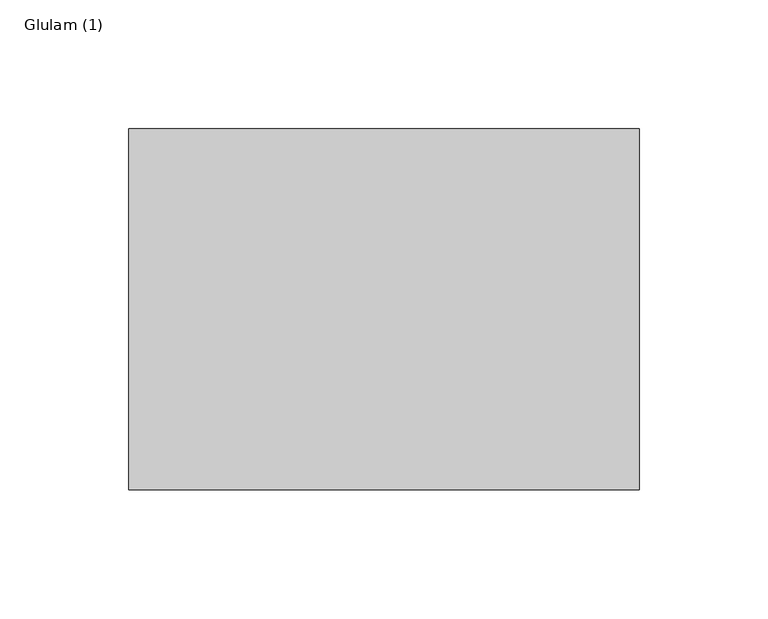
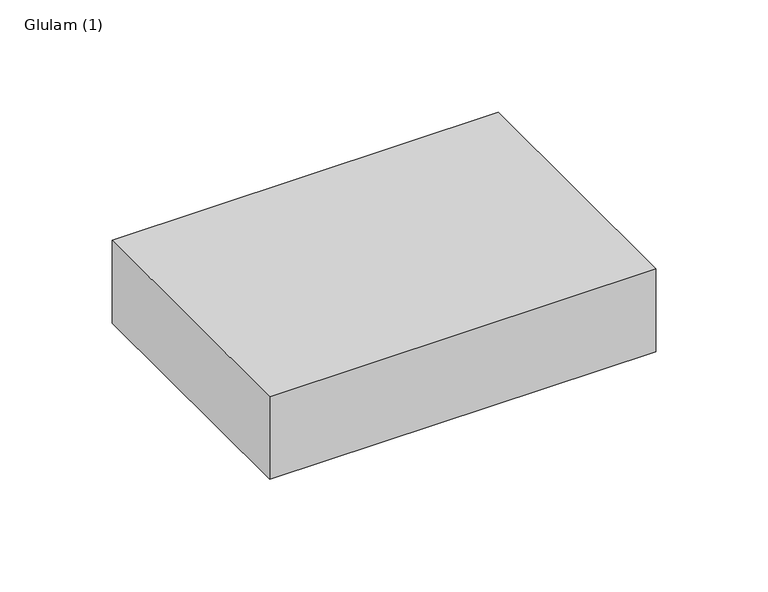
"""IFC4 building model written with IfcOpenShell, lengths in millimetres: beam geometry, Glulam (1)."""

import ifcopenshell
import ifcopenshell.guid

model = None  # the IFC model being written
_history = None  # IfcOwnerHistory: only IFC2X3 demands one
_inside = {}  # id of a spatial element -> (the spatial element, [elements in it])
_under = {}  # id of a project, library or spatial element -> (it, [spatial elements below it])
_declared = {}  # id of a project -> (the project, [libraries it declares])
_typed = {}  # id of a type object -> (the type object, [elements of that type])
_made_of = {}  # id of a material, layer set ... -> (it, [elements and type objects made of it])


def new_model(schema):
    """Start an empty IFC model of exactly this schema.

    Asked for "IFC4X3", IfcOpenShell would pick the latest addendum, in which some entities
    have other attributes; the version numbers below select the first issue.
    IFC2X3 requires an IfcOwnerHistory on every rooted entity: one is made here for all.
    """
    global model, _history
    if schema == "IFC4X3":
        model = ifcopenshell.file(schema_version=(4, 3, 0, 0))
    else:
        model = ifcopenshell.file(schema=schema)
    _inside.clear()
    _under.clear()
    _declared.clear()
    _typed.clear()
    _made_of.clear()
    _history = None
    if model.schema == "IFC2X3":
        org = make("IfcOrganization", Name="unknown")
        user = make(
            "IfcPersonAndOrganization",
            ThePerson=make("IfcPerson", FamilyName="unknown"),
            TheOrganization=org,
        )
        app = make(
            "IfcApplication",
            ApplicationDeveloper=org,
            Version="unknown",
            ApplicationFullName="unknown",
            ApplicationIdentifier="unknown",
        )
        _history = make(
            "IfcOwnerHistory",
            OwningUser=user,
            OwningApplication=app,
            ChangeAction="ADDED",
            CreationDate=0,
        )
    return model


def make(cls, **values):
    """One entity of the class cls with the attributes given. An attribute that is None is left unset."""
    return model.create_entity(
        cls, **{name: value for name, value in values.items() if value is not None}
    )


def rooted(cls, **values):
    """An entity with a GlobalId (a new one), such as an element, a storey or a relation."""
    return make(cls, GlobalId=ifcopenshell.guid.new(), OwnerHistory=_history, **values)


def si_unit(unit_type, name, prefix=None):
    """IfcSIUnit, for example si_unit("LENGTHUNIT", "METRE", prefix="MILLI")."""
    return make("IfcSIUnit", UnitType=unit_type, Prefix=prefix, Name=name)


def assignment(units):
    """IfcUnitAssignment: the units of a project."""
    return None if units is None else make("IfcUnitAssignment", Units=units)


def point(xyz):
    """IfcCartesianPoint."""
    return None if xyz is None else make("IfcCartesianPoint", Coordinates=xyz)


def direction(xyz):
    """IfcDirection."""
    return None if xyz is None else make("IfcDirection", DirectionRatios=xyz)


def frame(location, z_axis=None, x_axis=None):
    """IfcAxis2Placement3D, a coordinate frame: its origin and axes. An axis left out is left unset."""
    return make(
        "IfcAxis2Placement3D",
        Location=point(location),
        Axis=direction(z_axis),
        RefDirection=direction(x_axis),
    )


def origin():
    """The frame at (0, 0, 0) with its axes left unset."""
    return frame((0.0, 0.0, 0.0))


def place(relative_to, where):
    """IfcLocalPlacement: puts the frame where relative to a parent placement (None: the world)."""
    return make(
        "IfcLocalPlacement", PlacementRelTo=relative_to, RelativePlacement=where
    )


def context(
    kind, dimensions, precision=None, world=None, true_north=None, identifier=None
):
    """IfcGeometricRepresentationContext, for example the 3D "Model" context."""
    return make(
        "IfcGeometricRepresentationContext",
        ContextIdentifier=identifier,
        ContextType=kind,
        CoordinateSpaceDimension=dimensions,
        Precision=precision,
        WorldCoordinateSystem=world,
        TrueNorth=true_north,
    )


def project(units=None, contexts=None):
    """IfcProject with its units and contexts."""
    return rooted(
        "IfcProject",
        Name="project",
        RepresentationContexts=contexts,
        UnitsInContext=assignment(units),
    )


def spatial(cls, under=None, at=None, **own):
    """A site, building, storey or space (cls), placed at a placement, below another one or the project."""
    s = rooted(cls, ObjectPlacement=at, **own)
    if under is not None:
        _under.setdefault(under.id(), (under, []))[1].append(s)
    return s


def polyline(points):
    """IfcPolyline through the points."""
    return make("IfcPolyline", Points=[point(p) for p in points])


def outline(outer, holes=None, kind="AREA"):
    """IfcArbitraryClosedProfileDef: a profile drawn as a closed curve; with holes, ...WithVoids."""
    if holes is None:
        return make("IfcArbitraryClosedProfileDef", ProfileType=kind, OuterCurve=outer)
    return make(
        "IfcArbitraryProfileDefWithVoids",
        ProfileType=kind,
        OuterCurve=outer,
        InnerCurves=holes,
    )


def extrude(swept, where, along, depth):
    """IfcExtrudedAreaSolid: the profile swept, set in the frame where, extruded along a direction by depth."""
    return make(
        "IfcExtrudedAreaSolid",
        SweptArea=swept,
        Position=where,
        ExtrudedDirection=direction(along),
        Depth=depth,
    )


def shape(context_of_items, identifier, shape_type, items):
    """IfcShapeRepresentation: the items that make up one representation, for example the "Body"."""
    return make(
        "IfcShapeRepresentation",
        ContextOfItems=context_of_items,
        RepresentationIdentifier=identifier,
        RepresentationType=shape_type,
        Items=items,
    )


def source(mapping_origin, context_of_items, identifier, shape_type, items):
    """IfcRepresentationMap: a shape defined once, which mapped items show again and again."""
    return make(
        "IfcRepresentationMap",
        MappingOrigin=mapping_origin,
        MappedRepresentation=shape(context_of_items, identifier, shape_type, items),
    )


def transform(
    local_origin,
    x_axis=None,
    y_axis=None,
    z_axis=None,
    scale=None,
    scale2=None,
    scale3=None,
    uniform=True,
):
    """IfcCartesianTransformationOperator3D, or its non-uniform kind. x_axis, y_axis, z_axis: its Axis1, 2, 3."""
    if uniform:
        return make(
            "IfcCartesianTransformationOperator3D",
            Axis1=direction(x_axis),
            Axis2=direction(y_axis),
            LocalOrigin=point(local_origin),
            Scale=scale,
            Axis3=direction(z_axis),
        )
    return make(
        "IfcCartesianTransformationOperator3DnonUniform",
        Axis1=direction(x_axis),
        Axis2=direction(y_axis),
        LocalOrigin=point(local_origin),
        Scale=scale,
        Axis3=direction(z_axis),
        Scale2=scale2,
        Scale3=scale3,
    )


def mapped(mapping_source, mapping_target):
    """IfcMappedItem: shows the shape of a source again, moved by a transform."""
    return make(
        "IfcMappedItem", MappingSource=mapping_source, MappingTarget=mapping_target
    )


def made_of(thing, what):
    """Note that an element or type object is made of a material, layer set ...; save() writes the relation."""
    if what is not None:
        _made_of.setdefault(what.id(), (what, []))[1].append(thing)
    return thing


def element(
    cls,
    number,
    at=None,
    inside=None,
    cuts=None,
    type_object=None,
    material=None,
    context=None,
    identifier="Body",
    shape_type=None,
    held_by="IfcProductDefinitionShape",
    body=None,
    shapes=None,
    **own,
):
    """One element of the class cls, such as IfcWall. Its Tag is "e" and its number.

    at: its placement. inside: the storey or other place that contains it. cuts: it is an
    opening in that element (IfcRelVoidsElement). A single representation is given by context,
    identifier, shape_type and body (its items); several are given by shapes. held_by: the class
    of the entity that holds the representations. save() writes the other relations.
    """
    e = rooted(cls, Tag="e%d" % number, ObjectPlacement=at, **own)
    if body is not None:
        shapes = [shape(context, identifier, shape_type, body)]
    if shapes is not None:
        e.Representation = make(held_by, Representations=shapes)
    if inside is not None:
        _inside.setdefault(inside.id(), (inside, []))[1].append(e)
    if cuts is not None:
        rooted(
            "IfcRelVoidsElement", RelatingBuildingElement=cuts, RelatedOpeningElement=e
        )
    if type_object is not None:
        _typed.setdefault(type_object.id(), (type_object, []))[1].append(e)
    return made_of(e, material)


def aggregate(whole, parts):
    """IfcRelAggregates: a whole, such as a stair, and the parts it consists of."""
    return rooted("IfcRelAggregates", RelatingObject=whole, RelatedObjects=parts)


def save(model, path):
    """Write the relations noted so far, then the file.

    IfcRelAggregates (storeys below a building ...), IfcRelContainedInSpatialStructure (elements
    in a storey), IfcRelDefinesByType, IfcRelAssociatesMaterial and IfcRelDeclares: one each for
    every whole, place, type object, material and project.
    """
    for whole, parts in _under.values():
        aggregate(whole, parts)
    for where, things in _inside.values():
        rooted(
            "IfcRelContainedInSpatialStructure",
            RelatedElements=things,
            RelatingStructure=where,
        )
    for kind, things in _typed.values():
        rooted("IfcRelDefinesByType", RelatedObjects=things, RelatingType=kind)
    for what, things in _made_of.values():
        rooted("IfcRelAssociatesMaterial", RelatedObjects=things, RelatingMaterial=what)
    for by, libraries in _declared.values():
        rooted("IfcRelDeclares", RelatingContext=by, RelatedDefinitions=libraries)
    model.write(path)


def glulam_1_48b27936(model_context):
    return source(origin(), model_context, "Body", "SweptSolid", [
        extrude(outline(polyline([(96.5, 70.0), (96.5, -70.0), (-101.5, -70.0), (-101.5, 70.0), (96.5, 70.0)])), frame((0.0, 0.0, -22.5), z_axis=(0.0, 0.0, 1.0), x_axis=(1.0, 0.0, 0.0)), (0.0, 0.0, 1.0), 45.0),
    ])


if __name__ == "__main__":
    model = new_model("IFC4")
    model_context = context("Model", 3, world=origin())
    ifc_project = project(units=[si_unit("LENGTHUNIT", "METRE", prefix="MILLI")], contexts=[model_context])
    site = spatial("IfcSite", under=ifc_project)
    building = spatial("IfcBuilding", under=site)
    placement = place(None, origin())
    glulam_1_shape = glulam_1_48b27936(model_context)
    element("IfcBeam", 1, ObjectType="Glulam (1)", at=placement, inside=building, context=model_context, shape_type="MappedRepresentation", body=[
        mapped(glulam_1_shape, transform((0.0, 0.0, 0.0), x_axis=(1.0, 0.0, 0.0), y_axis=(0.0, 1.0, 0.0), z_axis=(0.0, 0.0, 1.0))),
    ])
    save(model, "model.ifc")
